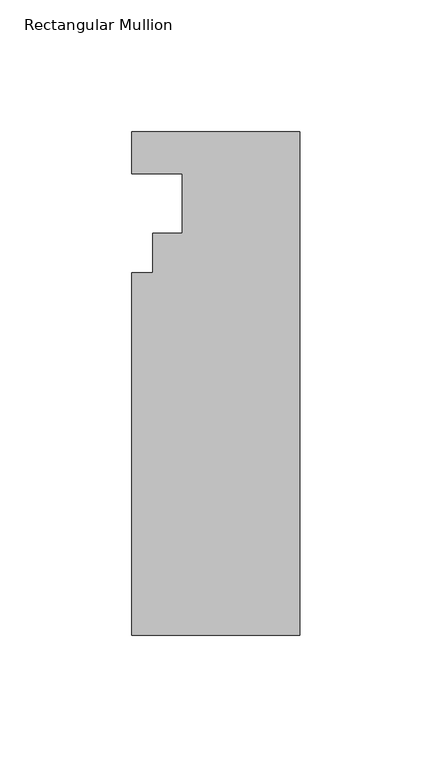
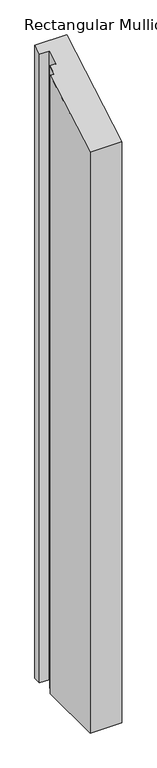
"""IFC4 building model written with IfcOpenShell, lengths in millimetres: member geometry, Rectangular Mullion."""

from ifc_helpers import new_model, si_unit, origin, place, context, project, spatial, faceted_brep, source, transform, mapped, element, save


def rectangular_mullion_5d012c38(model_context):
    return source(origin(), model_context, "Body", "Brep", [
        faceted_brep([(0.0, -190.4007813, -1335.9332701), (-63.5, -190.4007813, -1335.9332701), (-63.5, -53.0629813, -1335.9332701), (-55.5752, -53.0629813, -1335.9332701), (-55.5752, -38.0007813, -1335.9332701), (-44.45, -38.0007812, -1335.9332701), (-44.45, -15.5217813, -1335.9332701), (-63.5, -15.5217813, -1335.9332701), (-63.5, 0.3278187, -1335.9332701), (0.0, 0.3278187, -1335.9332701), (0.0, 0.3278187, 0.1892662), (0.0, -190.4007813, -109.9279423), (-63.5, 0.3278187, 0.1892662), (-63.5, -15.5217813, -8.9615046), (-44.45, -15.5217813, -8.9615046), (-44.45, -38.0007812, -21.9397613), (-55.5752, -38.0007813, -21.9397613), (-55.5752, -53.0629813, -30.6359265), (-63.5, -53.0629813, -30.6359265), (-63.5, -190.4007813, -109.9279423)], [[[0, 1, 2, 3, 4, 5, 6, 7, 8, 9]], [[10, 11, 0, 9]], [[12, 10, 9, 8]], [[13, 12, 8, 7]], [[14, 13, 7, 6]], [[15, 14, 6, 5]], [[16, 15, 5, 4]], [[17, 16, 4, 3]], [[18, 17, 3, 2]], [[19, 18, 2, 1]], [[11, 19, 1, 0]], [[11, 10, 12, 13, 14, 15, 16, 17, 18, 19]]]),
    ])


if __name__ == "__main__":
    model = new_model("IFC4")
    model_context = context("Model", 3, world=origin())
    ifc_project = project(units=[si_unit("LENGTHUNIT", "METRE", prefix="MILLI")], contexts=[model_context])
    site = spatial("IfcSite", under=ifc_project)
    building = spatial("IfcBuilding", under=site)
    placement = place(None, origin())
    rectangular_mullion_shape = rectangular_mullion_5d012c38(model_context)
    element("IfcMember", 1, ObjectType="Rectangular Mullion", at=placement, inside=building, context=model_context, shape_type="MappedRepresentation", body=[
        mapped(rectangular_mullion_shape, transform((0.0, 0.0, 0.0), x_axis=(1.0, 0.0, 0.0), y_axis=(0.0, 1.0, 0.0), z_axis=(0.0, 0.0, 1.0))),
    ])
    save(model, "model.ifc")
